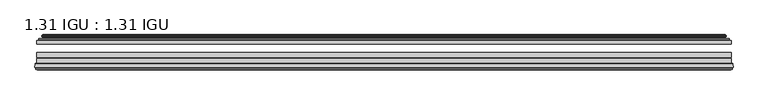
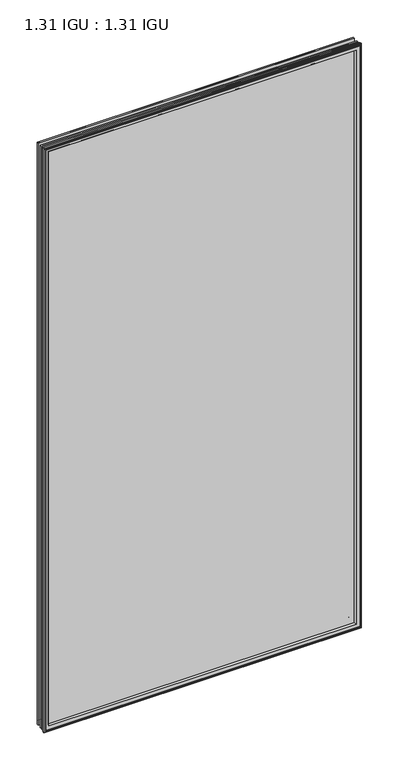
"""IFC4 building model written with IfcOpenShell, lengths in millimetres: plate geometry, 1.31 IGU : 1.31 IGU."""

from ifc_helpers import new_model, si_unit, frame, origin, place, context, project, spatial, polyline, ellipse_curve, outline, extrude, source, transform, mapped, element, save
from ifc_brep_helpers import plane_surface, cylinder_surface, revolved_surface, advanced_brep


def plate_1_31_igu_1_31_igu_2f86c84a(model_context):
    return source(origin(), model_context, "Body", "SolidModel", [
        extrude(outline(polyline([(515.9319169, -44.8960875), (515.9319169, -50.4332875), (-515.9368519, -50.4332875), (-515.9368519, -44.8960875), (515.9319169, -44.8960875)])), frame((0.0, 0.0, -14.2875), z_axis=(0.0, 0.0, 1.0), x_axis=(1.0, 0.0, 0.0)), (0.0, 0.0, 1.0), 2009.67848),
        extrude(outline(polyline([(-515.9368519, -78.7796875), (-515.9368519, -71.7692875), (515.9319169, -71.7692875), (515.9319169, -78.7796875), (-515.9368519, -78.7796875)])), frame((0.0, 0.0, -14.2875), z_axis=(0.0, 0.0, 1.0), x_axis=(1.0, 0.0, 0.0)), (0.0, 0.0, 1.0), 2009.67848),
        extrude(outline(polyline([(-515.9368519, -70.2452875), (-515.9368519, -63.1332875), (515.9319169, -63.1332875), (515.9319169, -70.2452875), (-515.9368519, -70.2452875)])), frame((0.0, 0.0, -14.2875), z_axis=(0.0, 0.0, 1.0), x_axis=(1.0, 0.0, 0.0)), (0.0, 0.0, 1.0), 2009.67848),
        advanced_brep(
        [(-518.4837559, -85.1296875, 1997.9378839), (-517.7889721, -79.4711276, 1997.2431001), (-517.7889721, -79.4711276, -16.1396201), (-518.4837559, -85.1296875, -16.8344039), (-516.0961559, -87.1207518, 1995.5502839), (-516.5533559, -85.1296875, 1996.0074839), (-516.5533559, -85.1296875, -14.9040039), (-516.0961559, -87.1207518, -14.4468039), (-517.0975177, -86.8524376, 1996.5516458), (-517.0975177, -86.8524376, -15.4481658), (-517.3407559, -87.7602147, 1996.7948839), (-517.3407559, -87.7602147, -15.6914039), (-515.3087559, -88.3046875, 1994.7628839), (-515.3087559, -88.3046875, -13.6594039), (-513.2767559, -87.7602147, 1992.7308839), (-513.2767559, -87.7602147, -11.6274039), (-513.519994, -86.8524376, 1992.9741221), (-513.519994, -86.8524376, -11.8706421), (-514.5213559, -87.1207518, 1993.9754839), (-514.5213559, -87.1207518, -12.8720039), (-514.0641559, -85.1296875, 1993.5182839), (-514.0641559, -85.1296875, -12.4148039), (-517.0074412, -78.7796875, 1996.4615693), (-517.0074412, -78.7796875, -15.3580893), (517.7889721, -79.4711276, -16.1396201), (518.4837559, -85.1296875, -16.8344039), (516.5533559, -85.1296875, -14.9040039), (516.0961559, -87.1207518, -14.4468039), (517.0975177, -86.8524376, -15.4481658), (517.3407559, -87.7602147, -15.6914039), (515.3087559, -88.3046875, -13.6594039), (513.2767559, -87.7602147, -11.6274039), (513.519994, -86.8524376, -11.8706421), (514.5213559, -87.1207518, -12.8720039), (514.0641559, -85.1296875, -12.4148039), (517.0074412, -78.7796875, -15.3580893), (517.7889721, -79.4711276, 1997.2431001), (518.4837559, -85.1296875, 1997.9378839), (516.5533559, -85.1296875, 1996.0074839), (516.0961559, -87.1207518, 1995.5502839), (517.0975177, -86.8524376, 1996.5516458), (517.3407559, -87.7602147, 1996.7948839), (515.3087559, -88.3046875, 1994.7628839), (513.2767559, -87.7602147, 1992.7308839), (513.519994, -86.8524376, 1992.9741221), (514.5213559, -87.1207518, 1993.9754839), (514.0641559, -85.1296875, 1993.5182839), (517.0074412, -78.7796875, 1996.4615693), (-501.6615651, -85.1296875, 1981.1156931), (501.6615651, -85.1296875, 1981.1156931), (501.6615651, -85.1296875, -0.0122131), (-501.6615651, -85.1296875, -0.0122131), (-498.3452882, -78.7796875, 3.3040638), (498.3452882, -78.7796875, 3.3040638), (498.3452882, -78.7796875, 1977.7994162), (-498.3452882, -78.7796875, 1977.7994162)],
        [
            (0, 1),
            (1, 2),
            (2, 3),
            (3, 0),
            (4, 5),
            (5, 6),
            (6, 7),
            (7, 4),
            (8, 4),
            (7, 9),
            (9, 8),
            (10, 8),
            (9, 11),
            (11, 10),
            (12, 10),
            (11, 13),
            (13, 12),
            (14, 12),
            (13, 15),
            (15, 14),
            (16, 14),
            (15, 17),
            (17, 16),
            (18, 16),
            (17, 19),
            (19, 18),
            (20, 18),
            (19, 21),
            (21, 20),
            (1, 22, ellipse_curve(frame((-517.0074412, -79.5670875, 1996.4615693), z_axis=(-0.7071067811865475, 0.0, -0.7071067811865475), x_axis=(-0.7071067811865474, 0.0, 0.7071067811865476)), 1.1135518, 0.7874)),
            (22, 23),
            (23, 2, ellipse_curve(frame((-517.0074412, -79.5670875, -15.3580893), z_axis=(-0.7071067811865475, 0.0, 0.7071067811865475), x_axis=(0.7071067811865474, 0.0, 0.7071067811865476)), 1.1135518, 0.7874)),
            (2, 24),
            (24, 25),
            (25, 3),
            (6, 26),
            (26, 27),
            (27, 7),
            (27, 28),
            (28, 9),
            (28, 29),
            (29, 11),
            (29, 30),
            (30, 13),
            (30, 31),
            (31, 15),
            (31, 32),
            (32, 17),
            (32, 33),
            (33, 19),
            (33, 34),
            (34, 21),
            (23, 35),
            (35, 24, ellipse_curve(frame((517.0074412, -79.5670875, -15.3580893), z_axis=(-0.7071067811865475, 0.0, -0.7071067811865475), x_axis=(-0.7071067811865476, 0.0, 0.7071067811865474)), 1.1135518, 0.7874)),
            (24, 36),
            (36, 37),
            (37, 25),
            (26, 38),
            (38, 39),
            (39, 27),
            (39, 40),
            (40, 28),
            (40, 41),
            (41, 29),
            (41, 42),
            (42, 30),
            (42, 43),
            (43, 31),
            (43, 44),
            (44, 32),
            (44, 45),
            (45, 33),
            (45, 46),
            (46, 34),
            (35, 47),
            (47, 36, ellipse_curve(frame((517.0074412, -79.5670875, 1996.4615693), z_axis=(0.7071067811865475, 0.0, -0.7071067811865475), x_axis=(-0.7071067811865474, 0.0, -0.7071067811865476)), 1.1135518, 0.7874)),
            (36, 1),
            (0, 37),
            (5, 38),
            (4, 39),
            (8, 40),
            (10, 41),
            (12, 42),
            (14, 43),
            (16, 44),
            (18, 45),
            (20, 46),
            (48, 49),
            (49, 50),
            (50, 51),
            (51, 48),
            (22, 47),
            (52, 53),
            (53, 54),
            (54, 55),
            (55, 52),
            (55, 48, ellipse_curve(frame((-490.4122701, -86.963653, 1969.8663982), z_axis=(0.7071067811865475, 0.0, 0.7071067811865475), x_axis=(0.7071067811865474, 0.0, -0.7071067811865476)), 16.118937, 11.3978097)),
            (51, 52, ellipse_curve(frame((-490.4122701, -86.963653, 11.2370818), z_axis=(0.7071067811865475, 0.0, -0.7071067811865475), x_axis=(-0.7071067811865474, 0.0, -0.7071067811865476)), 16.118937, 11.3978097)),
            (50, 53, ellipse_curve(frame((490.4122701, -86.963653, 11.2370818), z_axis=(0.7071067811865475, 0.0, 0.7071067811865475), x_axis=(0.7071067811865476, 0.0, -0.7071067811865474)), 16.118937, 11.3978097)),
            (49, 54, ellipse_curve(frame((490.4122701, -86.963653, 1969.8663982), z_axis=(-0.7071067811865475, 0.0, 0.7071067811865475), x_axis=(0.7071067811865474, 0.0, 0.7071067811865476)), 16.118937, 11.3978097)),
        ],
        [
            plane_surface(frame((-517.7889721, -79.4711276, 1997.2431001), z_axis=(-0.9925461516413008, 0.12186934340532067, 0.0), x_axis=(0.0, 0.0, -1.0))),
            plane_surface(frame((-516.5533559, -85.1296875, 1996.0074839), z_axis=(-0.9746347637895997, -0.22380142361654332, 0.0), x_axis=(0.0, 0.0, -1.0))),
            plane_surface(frame((-516.0961559, -87.1207518, 1995.5502839), z_axis=(0.25881904510266784, 0.9659258262890289, 0.0), x_axis=(0.0, 0.0, -1.0))),
            plane_surface(frame((-517.0975177, -86.8524376, 1996.5516458), z_axis=(-0.9659258262890449, 0.2588190451026083, 0.0), x_axis=(0.0, 0.0, -1.0))),
            plane_surface(frame((-517.3407559, -87.7602147, 1996.7948839), z_axis=(-0.2588190451025689, -0.9659258262890554, 0.0), x_axis=(0.0, 0.0, -1.0))),
            plane_surface(frame((-515.3087559, -88.3046875, 1994.7628839), z_axis=(0.25881904510241466, -0.9659258262890968, 0.0), x_axis=(0.0, 0.0, -1.0))),
            plane_surface(frame((-513.2767559, -87.7602147, 1992.7308839), z_axis=(0.9659258262890272, 0.25881904510267406, 0.0), x_axis=(0.0, 0.0, -1.0))),
            plane_surface(frame((-513.519994, -86.8524376, 1992.9741221), z_axis=(-0.25881904510234177, 0.9659258262891163, 0.0), x_axis=(0.0, 0.0, -1.0))),
            plane_surface(frame((-514.5213559, -87.1207518, 1993.9754839), z_axis=(0.9746347637895936, -0.2238014236165695, 0.0), x_axis=(0.0, 0.0, -1.0))),
            cylinder_surface(frame((-517.0074412, -79.5670875, 2012.85348), z_axis=(0.0, 0.0, 1.0), x_axis=(-1.0, 0.0, 0.0)), 0.7874),
            plane_surface(frame((-517.7889721, -79.4711276, -16.1396201), z_axis=(0.0, 0.12186934340531747, -0.9925461516413012), x_axis=(1.0, 0.0, 0.0))),
            plane_surface(frame((-516.5533559, -85.1296875, -14.9040039), z_axis=(0.0, -0.22380142361654648, -0.9746347637895989), x_axis=(1.0, 0.0, 0.0))),
            plane_surface(frame((-516.0961559, -87.1207518, -14.4468039), z_axis=(0.0, 0.9659258262890298, 0.25881904510266474), x_axis=(1.0, 0.0, 0.0))),
            plane_surface(frame((-517.0975177, -86.8524376, -15.4481658), z_axis=(0.0, 0.25881904510260517, -0.9659258262890458), x_axis=(1.0, 0.0, 0.0))),
            plane_surface(frame((-517.3407559, -87.7602147, -15.6914039), z_axis=(0.0, -0.9659258262890563, -0.2588190451025658), x_axis=(1.0, 0.0, 0.0))),
            plane_surface(frame((-515.3087559, -88.3046875, -13.6594039), z_axis=(0.0, -0.965925826289096, 0.25881904510241777), x_axis=(1.0, 0.0, 0.0))),
            plane_surface(frame((-513.2767559, -87.7602147, -11.6274039), z_axis=(0.0, 0.2588190451026772, 0.9659258262890265), x_axis=(1.0, 0.0, 0.0))),
            plane_surface(frame((-513.519994, -86.8524376, -11.8706421), z_axis=(0.0, 0.9659258262891154, -0.2588190451023449), x_axis=(1.0, 0.0, 0.0))),
            plane_surface(frame((-514.5213559, -87.1207518, -12.8720039), z_axis=(0.0, -0.22380142361656633, 0.9746347637895943), x_axis=(1.0, 0.0, 0.0))),
            cylinder_surface(frame((-533.3993519, -79.5670875, -15.3580893), z_axis=(-1.0, 0.0, 0.0), x_axis=(0.0, 0.0, -1.0)), 0.7874),
            plane_surface(frame((517.7889721, -79.4711276, -16.1396201), z_axis=(0.9925461516413017, 0.12186934340531426, 0.0), x_axis=(0.0, 0.0, 1.0))),
            plane_surface(frame((516.5533559, -85.1296875, -14.9040039), z_axis=(0.9746347637895981, -0.22380142361654964, 0.0), x_axis=(0.0, 0.0, 1.0))),
            plane_surface(frame((516.0961559, -87.1207518, -14.4468039), z_axis=(-0.2588190451026616, 0.9659258262890307, 0.0), x_axis=(0.0, 0.0, 1.0))),
            plane_surface(frame((517.0975177, -86.8524376, -15.4481658), z_axis=(0.9659258262890467, 0.25881904510260206, 0.0), x_axis=(0.0, 0.0, 1.0))),
            plane_surface(frame((517.3407559, -87.7602147, -15.6914039), z_axis=(0.2588190451025627, -0.9659258262890572, 0.0), x_axis=(0.0, 0.0, 1.0))),
            plane_surface(frame((515.3087559, -88.3046875, -13.6594039), z_axis=(-0.2588190451024209, -0.9659258262890951, 0.0), x_axis=(0.0, 0.0, 1.0))),
            plane_surface(frame((513.2767559, -87.7602147, -11.6274039), z_axis=(-0.9659258262890256, 0.25881904510268033, 0.0), x_axis=(0.0, 0.0, 1.0))),
            plane_surface(frame((513.519994, -86.8524376, -11.8706421), z_axis=(0.25881904510234804, 0.9659258262891146, 0.0), x_axis=(0.0, 0.0, 1.0))),
            plane_surface(frame((514.5213559, -87.1207518, -12.8720039), z_axis=(-0.9746347637895951, -0.22380142361656316, 0.0), x_axis=(0.0, 0.0, 1.0))),
            cylinder_surface(frame((517.0074412, -79.5670875, -31.75), z_axis=(0.0, 0.0, -1.0), x_axis=(1.0, 0.0, 0.0)), 0.7874),
            plane_surface(frame((517.7889721, -79.4711276, 1997.2431001), z_axis=(0.0, 0.12186934340531747, 0.9925461516413012), x_axis=(-1.0, 0.0, 0.0))),
            plane_surface(frame((518.4837559, -85.1296875, 1997.9378839), z_axis=(0.0, -1.0, 0.0), x_axis=(-1.0, 0.0, 0.0))),
            plane_surface(frame((516.5533559, -85.1296875, 1996.0074839), z_axis=(0.0, -0.22380142361654648, 0.9746347637895989), x_axis=(-1.0, 0.0, 0.0))),
            plane_surface(frame((516.0961559, -87.1207518, 1995.5502839), z_axis=(0.0, 0.9659258262890298, -0.25881904510266474), x_axis=(-1.0, 0.0, 0.0))),
            plane_surface(frame((517.0975177, -86.8524376, 1996.5516458), z_axis=(0.0, 0.25881904510260517, 0.9659258262890458), x_axis=(-1.0, 0.0, 0.0))),
            plane_surface(frame((517.3407559, -87.7602147, 1996.7948839), z_axis=(0.0, -0.9659258262890563, 0.2588190451025658), x_axis=(-1.0, 0.0, 0.0))),
            plane_surface(frame((515.3087559, -88.3046875, 1994.7628839), z_axis=(0.0, -0.965925826289096, -0.25881904510241777), x_axis=(-1.0, 0.0, 0.0))),
            plane_surface(frame((513.2767559, -87.7602147, 1992.7308839), z_axis=(0.0, 0.2588190451026772, -0.9659258262890265), x_axis=(-1.0, 0.0, 0.0))),
            plane_surface(frame((513.519994, -86.8524376, 1992.9741221), z_axis=(0.0, 0.9659258262891155, 0.25881904510234494), x_axis=(-1.0, 0.0, 0.0))),
            plane_surface(frame((514.5213559, -87.1207518, 1993.9754839), z_axis=(0.0, -0.22380142361656633, -0.9746347637895943), x_axis=(-1.0, 0.0, 0.0))),
            plane_surface(frame((514.0641559, -85.1296875, 1993.5182839), z_axis=(0.0, -1.0, 0.0), x_axis=(-1.0, 0.0, 0.0))),
            plane_surface(frame((498.3452882, -78.7796875, 1977.7994162), z_axis=(0.0, 1.0, 0.0), x_axis=(-1.0, 0.0, 0.0))),
            cylinder_surface(frame((533.3993519, -79.5670875, 1996.4615693), z_axis=(1.0, 0.0, 0.0), x_axis=(0.0, 0.0, 1.0)), 0.7874),
            revolved_surface(polyline([(-501.8100798, -86.963653, -0.1607278582187064), (-501.8100798, -86.963653, 1981.2642078582187)]), (-490.4122701, -86.963653, 2012.85348), (0.0, 0.0, -1.0)),
            revolved_surface(polyline([(501.81007975821876, -86.963653, -0.16072789999999948), (-501.81007975821876, -86.963653, -0.16072789999999948)]), (-533.3993519, -86.963653, 11.2370818), (1.0, 0.0, 0.0)),
            revolved_surface(polyline([(501.8100798, -86.963653, 1981.2642078582187), (501.8100798, -86.963653, -0.16072785821874191)]), (490.4122701, -86.963653, -31.75), (0.0, 0.0, 1.0)),
            revolved_surface(polyline([(-501.81007975821876, -86.963653, 1981.2642079), (501.81007975821876, -86.963653, 1981.2642079)]), (533.3993519, -86.963653, 1969.8663982), (-1.0, 0.0, 0.0)),
        ],
        [
            (0, [[1, 2, 3, 4]]),
            (1, [[5, 6, 7, 8]]),
            (2, [[9, -8, 10, 11]]),
            (3, [[12, -11, 13, 14]]),
            (4, [[15, -14, 16, 17]]),
            (5, [[18, -17, 19, 20]]),
            (6, [[21, -20, 22, 23]]),
            (7, [[24, -23, 25, 26]]),
            (8, [[27, -26, 28, 29]]),
            (9, [[30, 31, 32, -2]]),
            (10, [[-3, 33, 34, 35]]),
            (11, [[-7, 36, 37, 38]]),
            (12, [[-10, -38, 39, 40]]),
            (13, [[-13, -40, 41, 42]]),
            (14, [[-16, -42, 43, 44]]),
            (15, [[-19, -44, 45, 46]]),
            (16, [[-22, -46, 47, 48]]),
            (17, [[-25, -48, 49, 50]]),
            (18, [[-28, -50, 51, 52]]),
            (19, [[-32, 53, 54, -33]]),
            (20, [[-34, 55, 56, 57]]),
            (21, [[-37, 58, 59, 60]]),
            (22, [[-39, -60, 61, 62]]),
            (23, [[-41, -62, 63, 64]]),
            (24, [[-43, -64, 65, 66]]),
            (25, [[-45, -66, 67, 68]]),
            (26, [[-47, -68, 69, 70]]),
            (27, [[-49, -70, 71, 72]]),
            (28, [[-51, -72, 73, 74]]),
            (29, [[-54, 75, 76, -55]]),
            (30, [[-56, 77, -1, 78]]),
            (31, [[-35, -57, -78, -4], [79, -58, -36, -6]]),
            (32, [[-59, -79, -5, 80]]),
            (33, [[-61, -80, -9, 81]]),
            (34, [[-63, -81, -12, 82]]),
            (35, [[-65, -82, -15, 83]]),
            (36, [[-67, -83, -18, 84]]),
            (37, [[-69, -84, -21, 85]]),
            (38, [[-71, -85, -24, 86]]),
            (39, [[-73, -86, -27, 87]]),
            (40, [[-52, -74, -87, -29], [88, 89, 90, 91]]),
            (41, [[92, -75, -53, -31], [93, 94, 95, 96]]),
            (42, [[-76, -92, -30, -77]]),
            (43, [[97, -91, 98, -96]]),
            (44, [[-98, -90, 99, -93]]),
            (45, [[-99, -89, 100, -94]]),
            (46, [[-100, -88, -97, -95]]),
        ],
    ),
        advanced_brep(
        [(-506.5915274, -37.7373382, 1986.0456555), (-501.6498945, -36.3108875, 1981.1040226), (-501.6498945, -36.3108875, -0.0005426), (-506.5915274, -37.7373382, -4.9421755), (-506.4264221, -36.9605789, 1985.8805502), (-506.4264221, -36.9605789, -4.7770702), (-507.0219078, -36.4771203, 1986.4760359), (-507.0219078, -36.4771203, -5.3725559), (-508.2865436, -37.766076, 1987.7406717), (-508.2865436, -37.766076, -6.6371917), (-508.2757268, -38.8797852, 1987.7298549), (-508.2757268, -38.8797852, -6.6263749), (-506.9942416, -40.1361433, 1986.4483697), (-506.9942416, -40.1361433, -5.3448897), (-506.3892348, -39.649943, 1985.8433629), (-506.3892348, -39.649943, -4.7398829), (-506.9432491, -39.0959287, 1986.3973772), (-506.9432491, -39.0959287, -5.2938972), (-504.6574407, -38.7029881, 1984.1115687), (-504.6574407, -38.7029881, -3.0080887), (-503.1983676, -40.2107282, 1982.6524957), (-503.1983676, -40.2107282, -1.5490157), (-503.4949495, -41.651269, 1982.9490776), (-503.4949495, -41.651269, -1.8455976), (-504.266174, -42.2798875, 1983.7203021), (-504.266174, -42.2798875, -2.6168221), (-512.5701503, -43.4871542, 1992.0242784), (-512.2949489, -42.2798875, 1991.7490769), (-512.2949489, -42.2798875, -10.6455969), (-512.5701503, -43.4871542, -10.9207984), (-509.1125817, -44.8960875, 1988.5667097), (-509.1125817, -44.8960875, -7.4632297), (-498.0149579, -44.023302, 1977.4690859), (-498.3702958, -44.8960875, 1977.8244239), (-498.3702958, -44.8960875, 3.2790561), (-498.0149579, -44.023302, 3.6343941), (-498.6861559, -43.3681812, 1978.140284), (-498.6861559, -43.3681812, 2.963196), (-500.3269465, -40.6686056, 1979.7810746), (-500.3269465, -40.6686056, 1.3224054), (501.6498945, -36.3108875, -0.0005426), (506.5915274, -37.7373382, -4.9421755), (506.4264221, -36.9605789, -4.7770702), (507.0219078, -36.4771203, -5.3725559), (508.2865436, -37.766076, -6.6371917), (508.2757268, -38.8797852, -6.6263749), (506.9942416, -40.1361433, -5.3448897), (506.3892348, -39.649943, -4.7398829), (506.9432491, -39.0959287, -5.2938972), (504.6574407, -38.7029881, -3.0080887), (503.1983676, -40.2107282, -1.5490157), (503.4949495, -41.651269, -1.8455976), (504.266174, -42.2798875, -2.6168221), (512.2949489, -42.2798875, -10.6455969), (512.5701503, -43.4871542, -10.9207984), (509.1125817, -44.8960875, -7.4632297), (498.3702958, -44.8960875, 3.2790561), (498.0149579, -44.023302, 3.6343941), (498.6861559, -43.3681812, 2.963196), (500.3269465, -40.6686056, 1.3224054), (501.6498945, -36.3108875, 1981.1040226), (506.5915274, -37.7373382, 1986.0456555), (506.4264221, -36.9605789, 1985.8805502), (507.0219078, -36.4771203, 1986.4760359), (508.2865436, -37.766076, 1987.7406717), (508.2757268, -38.8797852, 1987.7298549), (506.9942416, -40.1361433, 1986.4483697), (506.3892348, -39.649943, 1985.8433629), (506.9432491, -39.0959287, 1986.3973772), (504.6574407, -38.7029881, 1984.1115687), (503.1983676, -40.2107282, 1982.6524957), (503.4949495, -41.651269, 1982.9490776), (504.266174, -42.2798875, 1983.7203021), (512.2949489, -42.2798875, 1991.7490769), (512.5701503, -43.4871542, 1992.0242784), (509.1125817, -44.8960875, 1988.5667097), (498.3702958, -44.8960875, 1977.8244239), (498.0149579, -44.023302, 1977.4690859), (498.6861559, -43.3681812, 1978.140284), (500.3269465, -40.6686056, 1979.7810746)],
        [
            (0, 1),
            (1, 2),
            (2, 3),
            (3, 0),
            (4, 0),
            (3, 5),
            (5, 4),
            (6, 4, ellipse_curve(frame((-506.7469391, -36.746901, 1986.2010671), z_axis=(-0.7071067811865475, 0.0, -0.7071067811865475), x_axis=(-0.7071067811865474, 0.0, 0.7071067811865476)), 0.5447741, 0.3852135)),
            (5, 7, ellipse_curve(frame((-506.7469391, -36.746901, -5.0975871), z_axis=(-0.7071067811865475, 0.0, 0.7071067811865475), x_axis=(0.7071067811865474, 0.0, 0.7071067811865476)), 0.5447741, 0.3852135)),
            (7, 6),
            (8, 6),
            (7, 9),
            (9, 8),
            (10, 8, ellipse_curve(frame((-507.7244906, -38.3175243, 1987.1786187), z_axis=(-0.7071067811865475, 0.0, -0.7071067811865475), x_axis=(-0.7071067811865474, 0.0, 0.7071067811865476)), 1.1135518, 0.7874)),
            (9, 11, ellipse_curve(frame((-507.7244906, -38.3175243, -6.0751387), z_axis=(-0.7071067811865475, 0.0, 0.7071067811865475), x_axis=(0.7071067811865474, 0.0, 0.7071067811865476)), 1.1135518, 0.7874)),
            (11, 10),
            (12, 10),
            (11, 13),
            (13, 12),
            (14, 12, ellipse_curve(frame((-506.7206442, -39.8570738, 1986.1747722), z_axis=(-0.7071067811865475, 0.0, -0.7071067811865475), x_axis=(-0.7071067811865474, 0.0, 0.7071067811865476)), 0.552694, 0.3908137)),
            (13, 15, ellipse_curve(frame((-506.7206442, -39.8570738, -5.0712922), z_axis=(-0.7071067811865475, 0.0, 0.7071067811865475), x_axis=(0.7071067811865474, 0.0, 0.7071067811865476)), 0.552694, 0.3908137)),
            (15, 14),
            (16, 14),
            (15, 17),
            (17, 16),
            (18, 16),
            (17, 19),
            (19, 18),
            (20, 18, ellipse_curve(frame((-504.442278, -39.954629, 1983.8964061), z_axis=(0.7071067811865475, 0.0, 0.7071067811865475), x_axis=(0.7071067811865474, 0.0, -0.7071067811865476)), 1.7960512, 1.27)),
            (19, 21, ellipse_curve(frame((-504.442278, -39.954629, -2.7929261), z_axis=(0.7071067811865475, 0.0, -0.7071067811865475), x_axis=(-0.7071067811865474, 0.0, -0.7071067811865476)), 1.7960512, 1.27)),
            (21, 20),
            (22, 20),
            (21, 23),
            (23, 22),
            (24, 22, ellipse_curve(frame((-504.266174, -41.4924875, 1983.7203021), z_axis=(0.7071067811865475, 0.0, 0.7071067811865475), x_axis=(0.7071067811865474, 0.0, -0.7071067811865476)), 1.1135518, 0.7874)),
            (23, 25, ellipse_curve(frame((-504.266174, -41.4924875, -2.6168221), z_axis=(0.7071067811865475, 0.0, -0.7071067811865475), x_axis=(-0.7071067811865474, 0.0, -0.7071067811865476)), 1.1135518, 0.7874)),
            (25, 24),
            (26, 27, ellipse_curve(frame((-512.2949489, -42.9148875, 1991.7490769), z_axis=(-0.7071067811865475, 0.0, -0.7071067811865475), x_axis=(-0.7071067811865474, 0.0, 0.7071067811865476)), 0.8980256, 0.635)),
            (27, 28),
            (28, 29, ellipse_curve(frame((-512.2949489, -42.9148875, -10.6455969), z_axis=(-0.7071067811865475, 0.0, 0.7071067811865475), x_axis=(0.7071067811865474, 0.0, 0.7071067811865476)), 0.8980256, 0.635)),
            (29, 26),
            (30, 26),
            (29, 31),
            (31, 30),
            (32, 33, ellipse_curve(frame((-498.3702958, -44.3873602, 1977.8244239), z_axis=(-0.7071067811865475, 0.0, -0.7071067811865475), x_axis=(-0.7071067811865474, 0.0, 0.7071067811865476)), 0.719449, 0.5087273)),
            (33, 34),
            (34, 35, ellipse_curve(frame((-498.3702958, -44.3873602, 3.2790561), z_axis=(-0.7071067811865475, 0.0, 0.7071067811865475), x_axis=(0.7071067811865474, 0.0, 0.7071067811865476)), 0.719449, 0.5087273)),
            (35, 32),
            (36, 32),
            (35, 37),
            (37, 36),
            (38, 36, ellipse_curve(frame((-494.2507817, -38.823959, 1973.7049098), z_axis=(0.7071067811865475, 0.0, 0.7071067811865475), x_axis=(0.7071067811865474, 0.0, -0.7071067811865476)), 8.9802561, 6.35)),
            (37, 39, ellipse_curve(frame((-494.2507817, -38.823959, 7.3985702), z_axis=(0.7071067811865475, 0.0, -0.7071067811865475), x_axis=(-0.7071067811865474, 0.0, -0.7071067811865476)), 8.9802561, 6.35)),
            (39, 38),
            (1, 38),
            (39, 2),
            (2, 40),
            (40, 41),
            (41, 3),
            (41, 42),
            (42, 5),
            (42, 43, ellipse_curve(frame((506.7469391, -36.746901, -5.0975871), z_axis=(-0.7071067811865475, 0.0, -0.7071067811865475), x_axis=(-0.7071067811865476, 0.0, 0.7071067811865474)), 0.5447741, 0.3852135)),
            (43, 7),
            (43, 44),
            (44, 9),
            (44, 45, ellipse_curve(frame((507.7244906, -38.3175243, -6.0751387), z_axis=(-0.7071067811865475, 0.0, -0.7071067811865475), x_axis=(-0.7071067811865476, 0.0, 0.7071067811865474)), 1.1135518, 0.7874)),
            (45, 11),
            (45, 46),
            (46, 13),
            (46, 47, ellipse_curve(frame((506.7206442, -39.8570738, -5.0712922), z_axis=(-0.7071067811865475, 0.0, -0.7071067811865475), x_axis=(-0.7071067811865476, 0.0, 0.7071067811865474)), 0.552694, 0.3908137)),
            (47, 15),
            (47, 48),
            (48, 17),
            (48, 49),
            (49, 19),
            (49, 50, ellipse_curve(frame((504.442278, -39.954629, -2.7929261), z_axis=(0.7071067811865475, 0.0, 0.7071067811865475), x_axis=(0.7071067811865476, 0.0, -0.7071067811865474)), 1.7960512, 1.27)),
            (50, 21),
            (50, 51),
            (51, 23),
            (51, 52, ellipse_curve(frame((504.266174, -41.4924875, -2.6168221), z_axis=(0.7071067811865475, 0.0, 0.7071067811865475), x_axis=(0.7071067811865476, 0.0, -0.7071067811865474)), 1.1135518, 0.7874)),
            (52, 25),
            (28, 53),
            (53, 54, ellipse_curve(frame((512.2949489, -42.9148875, -10.6455969), z_axis=(-0.7071067811865475, 0.0, -0.7071067811865475), x_axis=(-0.7071067811865476, 0.0, 0.7071067811865474)), 0.8980256, 0.635)),
            (54, 29),
            (54, 55),
            (55, 31),
            (34, 56),
            (56, 57, ellipse_curve(frame((498.3702958, -44.3873602, 3.2790561), z_axis=(-0.7071067811865475, 0.0, -0.7071067811865475), x_axis=(-0.7071067811865476, 0.0, 0.7071067811865474)), 0.719449, 0.5087273)),
            (57, 35),
            (57, 58),
            (58, 37),
            (58, 59, ellipse_curve(frame((494.2507817, -38.823959, 7.3985702), z_axis=(0.7071067811865475, 0.0, 0.7071067811865475), x_axis=(0.7071067811865476, 0.0, -0.7071067811865474)), 8.9802561, 6.35)),
            (59, 39),
            (59, 40),
            (40, 60),
            (60, 61),
            (61, 41),
            (61, 62),
            (62, 42),
            (62, 63, ellipse_curve(frame((506.7469391, -36.746901, 1986.2010671), z_axis=(0.7071067811865475, 0.0, -0.7071067811865475), x_axis=(-0.7071067811865474, 0.0, -0.7071067811865476)), 0.5447741, 0.3852135)),
            (63, 43),
            (63, 64),
            (64, 44),
            (64, 65, ellipse_curve(frame((507.7244906, -38.3175243, 1987.1786187), z_axis=(0.7071067811865475, 0.0, -0.7071067811865475), x_axis=(-0.7071067811865474, 0.0, -0.7071067811865476)), 1.1135518, 0.7874)),
            (65, 45),
            (65, 66),
            (66, 46),
            (66, 67, ellipse_curve(frame((506.7206442, -39.8570738, 1986.1747722), z_axis=(0.7071067811865475, 0.0, -0.7071067811865475), x_axis=(-0.7071067811865474, 0.0, -0.7071067811865476)), 0.552694, 0.3908137)),
            (67, 47),
            (67, 68),
            (68, 48),
            (68, 69),
            (69, 49),
            (69, 70, ellipse_curve(frame((504.442278, -39.954629, 1983.8964061), z_axis=(-0.7071067811865475, 0.0, 0.7071067811865475), x_axis=(0.7071067811865474, 0.0, 0.7071067811865476)), 1.7960512, 1.27)),
            (70, 50),
            (70, 71),
            (71, 51),
            (71, 72, ellipse_curve(frame((504.266174, -41.4924875, 1983.7203021), z_axis=(-0.7071067811865475, 0.0, 0.7071067811865475), x_axis=(0.7071067811865474, 0.0, 0.7071067811865476)), 1.1135518, 0.7874)),
            (72, 52),
            (53, 73),
            (73, 74, ellipse_curve(frame((512.2949489, -42.9148875, 1991.7490769), z_axis=(0.7071067811865475, 0.0, -0.7071067811865475), x_axis=(-0.7071067811865474, 0.0, -0.7071067811865476)), 0.8980256, 0.635)),
            (74, 54),
            (74, 75),
            (75, 55),
            (56, 76),
            (76, 77, ellipse_curve(frame((498.3702958, -44.3873602, 1977.8244239), z_axis=(0.7071067811865475, 0.0, -0.7071067811865475), x_axis=(-0.7071067811865474, 0.0, -0.7071067811865476)), 0.719449, 0.5087273)),
            (77, 57),
            (77, 78),
            (78, 58),
            (78, 79, ellipse_curve(frame((494.2507817, -38.823959, 1973.7049098), z_axis=(-0.7071067811865475, 0.0, 0.7071067811865475), x_axis=(0.7071067811865474, 0.0, 0.7071067811865476)), 8.9802561, 6.35)),
            (79, 59),
            (79, 60),
            (60, 1),
            (0, 61),
            (4, 62),
            (6, 63),
            (8, 64),
            (10, 65),
            (12, 66),
            (14, 67),
            (16, 68),
            (18, 69),
            (20, 70),
            (22, 71),
            (24, 72),
            (27, 73),
            (26, 74),
            (30, 75),
            (33, 76),
            (32, 77),
            (36, 78),
            (38, 79),
        ],
        [
            plane_surface(frame((-501.6498945, -36.3108875, 1981.1040226), z_axis=(-0.27733649284928463, 0.9607728502273879, 0.0), x_axis=(0.0, 0.0, -1.0))),
            plane_surface(frame((-506.5915274, -37.7373382, 1986.0456555), z_axis=(0.9781476007338358, -0.2079116908176177, 0.0), x_axis=(0.0, 0.0, -1.0))),
            cylinder_surface(frame((-506.7469391, -36.746901, 2012.85348), z_axis=(0.0, 0.0, 1.0), x_axis=(-1.0, 0.0, 0.0)), 0.3852135),
            plane_surface(frame((-507.0219078, -36.4771203, 1986.4760359), z_axis=(-0.7138087599382162, 0.7003406701280928, 0.0), x_axis=(0.0, 0.0, -1.0))),
            cylinder_surface(frame((-507.7244906, -38.3175243, 2012.85348), z_axis=(0.0, 0.0, 1.0), x_axis=(-1.0, 0.0, 0.0)), 0.7874),
            plane_surface(frame((-508.2757268, -38.8797852, 1987.7298549), z_axis=(-0.7000714109283732, -0.7140728391423082, 0.0), x_axis=(0.0, 0.0, -1.0))),
            cylinder_surface(frame((-506.7206442, -39.8570738, 2012.85348), z_axis=(0.0, 0.0, 1.0), x_axis=(-1.0, 0.0, 0.0)), 0.3908137),
            plane_surface(frame((-506.3892348, -39.649943, 1985.8433629), z_axis=(0.7071067811861126, 0.7071067811869826, 0.0), x_axis=(0.0, 0.0, -1.0))),
            plane_surface(frame((-506.9432491, -39.0959287, 1986.3973772), z_axis=(0.16941940671011482, -0.9855440449974789, 0.0), x_axis=(0.0, 0.0, -1.0))),
            revolved_surface(polyline([(-505.71227799999997, -39.954629, -4.062926082878221), (-505.71227799999997, -39.954629, 1985.1664060828782)]), (-504.442278, -39.954629, 2012.85348), (0.0, 0.0, -1.0)),
            plane_surface(frame((-503.1983676, -40.2107282, 1982.6524957), z_axis=(-0.9794570432566897, 0.201652920670302, 0.0), x_axis=(0.0, 0.0, -1.0))),
            revolved_surface(polyline([(-505.05357399999997, -41.4924875, -3.4042221289826102), (-505.05357399999997, -41.4924875, 1984.5077021289826)]), (-504.266174, -41.4924875, 2012.85348), (0.0, 0.0, -1.0)),
            cylinder_surface(frame((-512.2949489, -42.9148875, 2012.85348), z_axis=(0.0, 0.0, 1.0), x_axis=(-1.0, 0.0, 0.0)), 0.635),
            plane_surface(frame((-512.5701503, -43.4871542, 1992.0242784), z_axis=(-0.37736447542757934, -0.9260648209954139, 0.0), x_axis=(0.0, 0.0, -1.0))),
            cylinder_surface(frame((-498.3702958, -44.3873602, 2012.85348), z_axis=(0.0, 0.0, 1.0), x_axis=(-1.0, 0.0, 0.0)), 0.5087273),
            plane_surface(frame((-498.0149579, -44.023302, 1977.4690859), z_axis=(0.698484125849927, 0.7156255486884628, 0.0), x_axis=(0.0, 0.0, -1.0))),
            revolved_surface(polyline([(-500.6007817, -38.823959, 1.0485702148980636), (-500.6007817, -38.823959, 1980.054909785102)]), (-494.2507817, -38.823959, 2012.85348), (0.0, 0.0, -1.0)),
            plane_surface(frame((-500.3269465, -40.6686056, 1979.7810746), z_axis=(0.9568763473517009, 0.2904955350411895, 0.0), x_axis=(0.0, 0.0, -1.0))),
            plane_surface(frame((-501.6498945, -36.3108875, -0.0005426), z_axis=(0.0, 0.960772850227387, -0.27733649284928774), x_axis=(1.0, 0.0, 0.0))),
            plane_surface(frame((-506.5915274, -37.7373382, -4.9421755), z_axis=(0.0, -0.20791169081761454, 0.9781476007338364), x_axis=(1.0, 0.0, 0.0))),
            cylinder_surface(frame((-533.3993519, -36.746901, -5.0975871), z_axis=(-1.0, 0.0, 0.0), x_axis=(0.0, 0.0, -1.0)), 0.3852135),
            plane_surface(frame((-507.0219078, -36.4771203, -5.3725559), z_axis=(0.0, 0.7003406701280904, -0.7138087599382185), x_axis=(1.0, 0.0, 0.0))),
            cylinder_surface(frame((-533.3993519, -38.3175243, -6.0751387), z_axis=(-1.0, 0.0, 0.0), x_axis=(0.0, 0.0, -1.0)), 0.7874),
            plane_surface(frame((-508.2757268, -38.8797852, -6.6263749), z_axis=(0.0, -0.7140728391423105, -0.7000714109283709), x_axis=(1.0, 0.0, 0.0))),
            cylinder_surface(frame((-533.3993519, -39.8570738, -5.0712922), z_axis=(-1.0, 0.0, 0.0), x_axis=(0.0, 0.0, -1.0)), 0.3908137),
            plane_surface(frame((-506.3892348, -39.649943, -4.7398829), z_axis=(0.0, 0.7071067811869849, 0.7071067811861103), x_axis=(1.0, 0.0, 0.0))),
            plane_surface(frame((-506.9432491, -39.0959287, -5.2938972), z_axis=(0.0, -0.9855440449974784, 0.16941940671011801), x_axis=(1.0, 0.0, 0.0))),
            revolved_surface(polyline([(505.7122779828783, -39.954629, -4.0629261), (-505.7122779828782, -39.954629, -4.0629261)]), (-533.3993519, -39.954629, -2.7929261), (1.0, 0.0, 0.0)),
            plane_surface(frame((-503.1983676, -40.2107282, -1.5490157), z_axis=(0.0, 0.20165292067029883, -0.9794570432566904), x_axis=(1.0, 0.0, 0.0))),
            revolved_surface(polyline([(505.05357402898244, -41.4924875, -3.4042220999999997), (-505.05357402898244, -41.4924875, -3.4042220999999997)]), (-533.3993519, -41.4924875, -2.6168221), (1.0, 0.0, 0.0)),
            cylinder_surface(frame((-533.3993519, -42.9148875, -10.6455969), z_axis=(-1.0, 0.0, 0.0), x_axis=(0.0, 0.0, -1.0)), 0.635),
            plane_surface(frame((-512.5701503, -43.4871542, -10.9207984), z_axis=(0.0, -0.9260648209954151, -0.37736447542757634), x_axis=(1.0, 0.0, 0.0))),
            cylinder_surface(frame((-533.3993519, -44.3873602, 3.2790561), z_axis=(-1.0, 0.0, 0.0), x_axis=(0.0, 0.0, -1.0)), 0.5087273),
            plane_surface(frame((-498.0149579, -44.023302, 3.6343941), z_axis=(0.0, 0.7156255486884651, 0.6984841258499247), x_axis=(1.0, 0.0, 0.0))),
            revolved_surface(polyline([(500.600781685102, -38.823959, 1.0485702000000003), (-500.6007816851019, -38.823959, 1.0485702000000003)]), (-533.3993519, -38.823959, 7.3985702), (1.0, 0.0, 0.0)),
            plane_surface(frame((-500.3269465, -40.6686056, 1.3224054), z_axis=(0.0, 0.29049553504119263, 0.9568763473517), x_axis=(1.0, 0.0, 0.0))),
            plane_surface(frame((501.6498945, -36.3108875, -0.0005426), z_axis=(0.27733649284929085, 0.9607728502273861, 0.0), x_axis=(0.0, 0.0, 1.0))),
            plane_surface(frame((506.5915274, -37.7373382, -4.9421755), z_axis=(-0.9781476007338371, -0.20791169081761138, 0.0), x_axis=(0.0, 0.0, 1.0))),
            cylinder_surface(frame((506.7469391, -36.746901, -31.75), z_axis=(0.0, 0.0, -1.0), x_axis=(1.0, 0.0, 0.0)), 0.3852135),
            plane_surface(frame((507.0219078, -36.4771203, -5.3725559), z_axis=(0.7138087599382208, 0.7003406701280882, 0.0), x_axis=(0.0, 0.0, 1.0))),
            cylinder_surface(frame((507.7244906, -38.3175243, -31.75), z_axis=(0.0, 0.0, -1.0), x_axis=(1.0, 0.0, 0.0)), 0.7874),
            plane_surface(frame((508.2757268, -38.8797852, -6.6263749), z_axis=(0.7000714109283687, -0.7140728391423128, 0.0), x_axis=(0.0, 0.0, 1.0))),
            cylinder_surface(frame((506.7206442, -39.8570738, -31.75), z_axis=(0.0, 0.0, -1.0), x_axis=(1.0, 0.0, 0.0)), 0.3908137),
            plane_surface(frame((506.3892348, -39.649943, -4.7398829), z_axis=(-0.7071067811861079, 0.7071067811869872, 0.0), x_axis=(0.0, 0.0, 1.0))),
            plane_surface(frame((506.9432491, -39.0959287, -5.2938972), z_axis=(-0.1694194067101212, -0.9855440449974778, 0.0), x_axis=(0.0, 0.0, 1.0))),
            revolved_surface(polyline([(505.71227799999997, -39.954629, 1985.1664060828782), (505.71227799999997, -39.954629, -4.062926082878235)]), (504.442278, -39.954629, -31.75), (0.0, 0.0, 1.0)),
            plane_surface(frame((503.1983676, -40.2107282, -1.5490157), z_axis=(0.979457043256691, 0.20165292067029567, 0.0), x_axis=(0.0, 0.0, 1.0))),
            revolved_surface(polyline([(505.05357399999997, -41.4924875, 1984.5077021289826), (505.05357399999997, -41.4924875, -3.404222128982486)]), (504.266174, -41.4924875, -31.75), (0.0, 0.0, 1.0)),
            cylinder_surface(frame((512.2949489, -42.9148875, -31.75), z_axis=(0.0, 0.0, -1.0), x_axis=(1.0, 0.0, 0.0)), 0.635),
            plane_surface(frame((512.5701503, -43.4871542, -10.9207984), z_axis=(0.37736447542757334, -0.9260648209954163, 0.0), x_axis=(0.0, 0.0, 1.0))),
            cylinder_surface(frame((498.3702958, -44.3873602, -31.75), z_axis=(0.0, 0.0, -1.0), x_axis=(1.0, 0.0, 0.0)), 0.5087273),
            plane_surface(frame((498.0149579, -44.023302, 3.6343941), z_axis=(-0.6984841258499224, 0.7156255486884673, 0.0), x_axis=(0.0, 0.0, 1.0))),
            revolved_surface(polyline([(500.6007817, -38.823959, 1980.054909785102), (500.6007817, -38.823959, 1.0485702148981417)]), (494.2507817, -38.823959, -31.75), (0.0, 0.0, 1.0)),
            plane_surface(frame((500.3269465, -40.6686056, 1.3224054), z_axis=(-0.9568763473516991, 0.29049553504119574, 0.0), x_axis=(0.0, 0.0, 1.0))),
            plane_surface(frame((501.6498945, -36.3108875, 1981.1040226), z_axis=(0.0, 0.960772850227387, 0.27733649284928774), x_axis=(-1.0, 0.0, 0.0))),
            plane_surface(frame((506.5915274, -37.7373382, 1986.0456555), z_axis=(0.0, -0.20791169081761454, -0.9781476007338364), x_axis=(-1.0, 0.0, 0.0))),
            cylinder_surface(frame((533.3993519, -36.746901, 1986.2010671), z_axis=(1.0, 0.0, 0.0), x_axis=(0.0, 0.0, 1.0)), 0.3852135),
            plane_surface(frame((507.0219078, -36.4771203, 1986.4760359), z_axis=(0.0, 0.7003406701280904, 0.7138087599382185), x_axis=(-1.0, 0.0, 0.0))),
            cylinder_surface(frame((533.3993519, -38.3175243, 1987.1786187), z_axis=(1.0, 0.0, 0.0), x_axis=(0.0, 0.0, 1.0)), 0.7874),
            plane_surface(frame((508.2757268, -38.8797852, 1987.7298549), z_axis=(0.0, -0.7140728391423106, 0.700071410928371), x_axis=(-1.0, 0.0, 0.0))),
            cylinder_surface(frame((533.3993519, -39.8570738, 1986.1747722), z_axis=(1.0, 0.0, 0.0), x_axis=(0.0, 0.0, 1.0)), 0.3908137),
            plane_surface(frame((506.3892348, -39.649943, 1985.8433629), z_axis=(0.0, 0.7071067811869849, -0.7071067811861103), x_axis=(-1.0, 0.0, 0.0))),
            plane_surface(frame((506.9432491, -39.0959287, 1986.3973772), z_axis=(0.0, -0.9855440449974784, -0.16941940671011801), x_axis=(-1.0, 0.0, 0.0))),
            revolved_surface(polyline([(-505.7122779828783, -39.954629, 1985.1664061), (505.7122779828782, -39.954629, 1985.1664061)]), (533.3993519, -39.954629, 1983.8964061), (-1.0, 0.0, 0.0)),
            plane_surface(frame((503.1983676, -40.2107282, 1982.6524957), z_axis=(0.0, 0.20165292067029883, 0.9794570432566904), x_axis=(-1.0, 0.0, 0.0))),
            revolved_surface(polyline([(-505.05357402898244, -41.4924875, 1984.5077021), (505.05357402898244, -41.4924875, 1984.5077021)]), (533.3993519, -41.4924875, 1983.7203021), (-1.0, 0.0, 0.0)),
            plane_surface(frame((504.266174, -42.2798875, 1983.7203021), z_axis=(0.0, 1.0, 0.0), x_axis=(-1.0, 0.0, 0.0))),
            cylinder_surface(frame((533.3993519, -42.9148875, 1991.7490769), z_axis=(1.0, 0.0, 0.0), x_axis=(0.0, 0.0, 1.0)), 0.635),
            plane_surface(frame((512.5701503, -43.4871542, 1992.0242784), z_axis=(0.0, -0.9260648209954151, 0.37736447542757634), x_axis=(-1.0, 0.0, 0.0))),
            plane_surface(frame((509.1125817, -44.8960875, 1988.5667097), z_axis=(0.0, -1.0, 0.0), x_axis=(-1.0, 0.0, 0.0))),
            cylinder_surface(frame((533.3993519, -44.3873602, 1977.8244239), z_axis=(1.0, 0.0, 0.0), x_axis=(0.0, 0.0, 1.0)), 0.5087273),
            plane_surface(frame((498.0149579, -44.023302, 1977.4690859), z_axis=(0.0, 0.7156255486884651, -0.6984841258499247), x_axis=(-1.0, 0.0, 0.0))),
            revolved_surface(polyline([(-500.600781685102, -38.823959, 1980.0549098), (500.6007816851019, -38.823959, 1980.0549098)]), (533.3993519, -38.823959, 1973.7049098), (-1.0, 0.0, 0.0)),
            plane_surface(frame((500.3269465, -40.6686056, 1979.7810746), z_axis=(0.0, 0.29049553504119263, -0.9568763473517), x_axis=(-1.0, 0.0, 0.0))),
        ],
        [
            (0, [[1, 2, 3, 4]]),
            (1, [[5, -4, 6, 7]]),
            (2, [[8, -7, 9, 10]]),
            (3, [[11, -10, 12, 13]]),
            (4, [[14, -13, 15, 16]]),
            (5, [[17, -16, 18, 19]]),
            (6, [[20, -19, 21, 22]]),
            (7, [[23, -22, 24, 25]]),
            (8, [[26, -25, 27, 28]]),
            (9, [[29, -28, 30, 31]]),
            (10, [[32, -31, 33, 34]]),
            (11, [[35, -34, 36, 37]]),
            (12, [[38, 39, 40, 41]]),
            (13, [[42, -41, 43, 44]]),
            (14, [[45, 46, 47, 48]]),
            (15, [[49, -48, 50, 51]]),
            (16, [[52, -51, 53, 54]]),
            (17, [[55, -54, 56, -2]]),
            (18, [[-3, 57, 58, 59]]),
            (19, [[-6, -59, 60, 61]]),
            (20, [[-9, -61, 62, 63]]),
            (21, [[-12, -63, 64, 65]]),
            (22, [[-15, -65, 66, 67]]),
            (23, [[-18, -67, 68, 69]]),
            (24, [[-21, -69, 70, 71]]),
            (25, [[-24, -71, 72, 73]]),
            (26, [[-27, -73, 74, 75]]),
            (27, [[-30, -75, 76, 77]]),
            (28, [[-33, -77, 78, 79]]),
            (29, [[-36, -79, 80, 81]]),
            (30, [[-40, 82, 83, 84]]),
            (31, [[-43, -84, 85, 86]]),
            (32, [[-47, 87, 88, 89]]),
            (33, [[-50, -89, 90, 91]]),
            (34, [[-53, -91, 92, 93]]),
            (35, [[-56, -93, 94, -57]]),
            (36, [[-58, 95, 96, 97]]),
            (37, [[-60, -97, 98, 99]]),
            (38, [[-62, -99, 100, 101]]),
            (39, [[-64, -101, 102, 103]]),
            (40, [[-66, -103, 104, 105]]),
            (41, [[-68, -105, 106, 107]]),
            (42, [[-70, -107, 108, 109]]),
            (43, [[-72, -109, 110, 111]]),
            (44, [[-74, -111, 112, 113]]),
            (45, [[-76, -113, 114, 115]]),
            (46, [[-78, -115, 116, 117]]),
            (47, [[-80, -117, 118, 119]]),
            (48, [[-83, 120, 121, 122]]),
            (49, [[-85, -122, 123, 124]]),
            (50, [[-88, 125, 126, 127]]),
            (51, [[-90, -127, 128, 129]]),
            (52, [[-92, -129, 130, 131]]),
            (53, [[-94, -131, 132, -95]]),
            (54, [[-96, 133, -1, 134]]),
            (55, [[-98, -134, -5, 135]]),
            (56, [[-100, -135, -8, 136]]),
            (57, [[-102, -136, -11, 137]]),
            (58, [[-104, -137, -14, 138]]),
            (59, [[-106, -138, -17, 139]]),
            (60, [[-108, -139, -20, 140]]),
            (61, [[-110, -140, -23, 141]]),
            (62, [[-112, -141, -26, 142]]),
            (63, [[-114, -142, -29, 143]]),
            (64, [[-116, -143, -32, 144]]),
            (65, [[-118, -144, -35, 145]]),
            (66, [[146, -120, -82, -39], [-81, -119, -145, -37]]),
            (67, [[-121, -146, -38, 147]]),
            (68, [[-123, -147, -42, 148]]),
            (69, [[-86, -124, -148, -44], [149, -125, -87, -46]]),
            (70, [[-126, -149, -45, 150]]),
            (71, [[-128, -150, -49, 151]]),
            (72, [[-130, -151, -52, 152]]),
            (73, [[-132, -152, -55, -133]]),
        ],
    ),
    ])


if __name__ == "__main__":
    model = new_model("IFC4")
    model_context = context("Model", 3, world=origin())
    ifc_project = project(units=[si_unit("LENGTHUNIT", "METRE", prefix="MILLI")], contexts=[model_context])
    site = spatial("IfcSite", under=ifc_project)
    building = spatial("IfcBuilding", under=site)
    placement = place(None, origin())
    plate_1_31_igu_1_31_igu_shape = plate_1_31_igu_1_31_igu_2f86c84a(model_context)
    element("IfcPlate", 1, ObjectType="1.31 IGU : 1.31 IGU", at=placement, inside=building, context=model_context, shape_type="MappedRepresentation", body=[
        mapped(plate_1_31_igu_1_31_igu_shape, transform((0.0, 0.0, 0.0), x_axis=(1.0, 0.0, 0.0), y_axis=(0.0, 1.0, 0.0), z_axis=(0.0, 0.0, 1.0))),
    ])
    save(model, "model.ifc")
